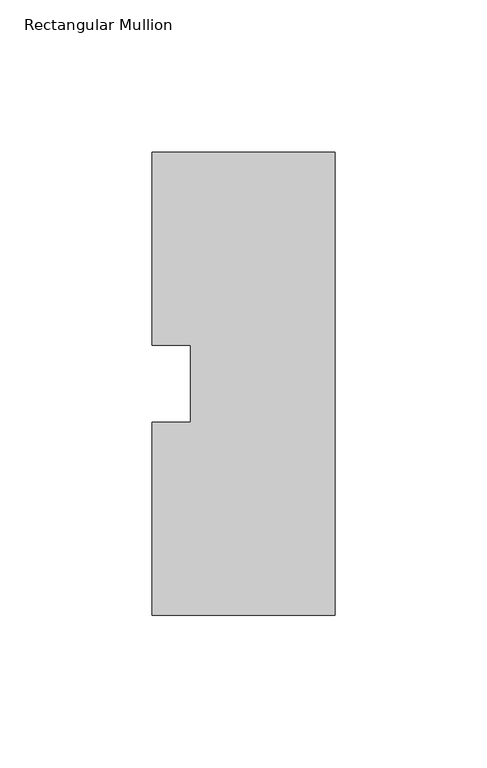
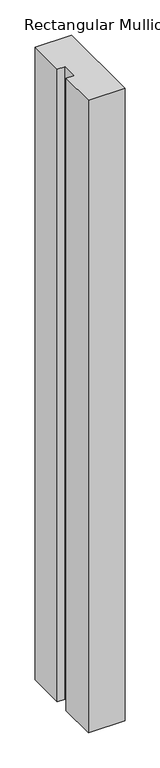
"""IFC4 building model written with IfcOpenShell, lengths in millimetres: member geometry, Rectangular Mullion."""

from ifc_helpers import new_model, si_unit, frame, origin, place, context, project, spatial, polyline, outline, extrude, source, transform, mapped, element, save


def rectangular_mullion_ae0f789a(model_context):
    return source(origin(), model_context, "Body", "SweptSolid", [
        extrude(outline(polyline([(-60.325, 76.2), (0.0, 76.2), (0.0, -76.2), (-60.325, -76.2), (-60.325, -12.7), (-47.625, -12.7), (-47.625, 12.7), (-60.325, 12.7), (-60.325, 76.2)])), frame((0.0, 0.0, -1099.7094027), z_axis=(0.0, 0.0, 1.0), x_axis=(1.0, 0.0, 0.0)), (0.0, 0.0, 1.0), 1099.7094027),
    ])


if __name__ == "__main__":
    model = new_model("IFC4")
    model_context = context("Model", 3, world=origin())
    ifc_project = project(units=[si_unit("LENGTHUNIT", "METRE", prefix="MILLI")], contexts=[model_context])
    site = spatial("IfcSite", under=ifc_project)
    building = spatial("IfcBuilding", under=site)
    placement = place(None, origin())
    rectangular_mullion_shape = rectangular_mullion_ae0f789a(model_context)
    element("IfcMember", 1, ObjectType="Rectangular Mullion", at=placement, inside=building, context=model_context, shape_type="MappedRepresentation", body=[
        mapped(rectangular_mullion_shape, transform((0.0, 0.0, 0.0), x_axis=(1.0, 0.0, 0.0), y_axis=(0.0, 1.0, 0.0), z_axis=(0.0, 0.0, 1.0))),
    ])
    save(model, "model.ifc")
